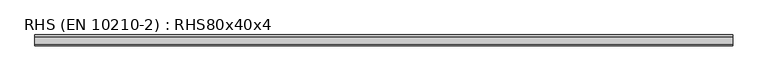
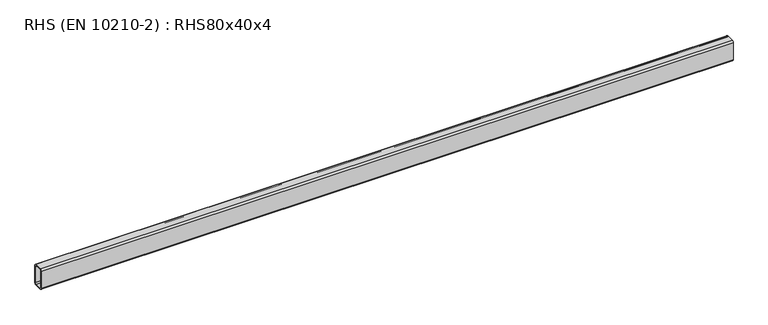
"""IFC4 building model written with IfcOpenShell, lengths in millimetres: beam geometry, RHS (EN 10210-2) : RHS80x40x4."""

from ifc_helpers import new_model, si_unit, point, frame, frame_2d, origin, place, context, project, spatial, polyline, circle_curve, trimmed, segment, composite_curve, outline, extrude, source, transform, mapped, element, save


def rhs_en_10210_2_rhs80x40x4_d693d78c(model_context):
    return source(origin(), model_context, "Body", "SweptSolid", [
        extrude(outline(composite_curve([segment(polyline([(20.0, 34.0), (20.0, -34.0)]), True, "CONTINUOUS"), segment(trimmed(circle_curve(frame_2d((14.0, -34.0)), 6.0), [point((20.0, -34.0))], [point((14.0, -40.0))], False, "CARTESIAN"), True, "CONTINUOUS"), segment(polyline([(14.0, -40.0), (-14.0, -40.0)]), True, "CONTINUOUS"), segment(trimmed(circle_curve(frame_2d((-14.0, -34.0)), 6.0), [point((-14.0, -40.0))], [point((-20.0, -34.0))], False, "CARTESIAN"), True, "CONTINUOUS"), segment(polyline([(-20.0, -34.0), (-20.0, 34.0)]), True, "CONTINUOUS"), segment(trimmed(circle_curve(frame_2d((-14.0, 34.0)), 6.0), [point((-20.0, 34.0))], [point((-14.0, 40.0))], False, "CARTESIAN"), True, "CONTINUOUS"), segment(polyline([(-14.0, 40.0), (14.0, 40.0)]), True, "CONTINUOUS"), segment(trimmed(circle_curve(frame_2d((14.0, 34.0)), 6.0), [point((14.0, 40.0))], [point((20.0, 34.0))], False, "CARTESIAN"), True, "CONTINUOUS")], self_intersect=False), holes=[composite_curve([segment(trimmed(circle_curve(frame_2d((-12.0, 32.0)), 4.0), [point((-12.0, 36.0))], [point((-16.0, 32.0))], True, "CARTESIAN"), True, "CONTINUOUS"), segment(polyline([(-16.0, 32.0), (-16.0, -32.0)]), True, "CONTINUOUS"), segment(trimmed(circle_curve(frame_2d((-12.0, -32.0)), 4.0), [point((-16.0, -32.0))], [point((-12.0, -36.0))], True, "CARTESIAN"), True, "CONTINUOUS"), segment(polyline([(-12.0, -36.0), (12.0, -36.0)]), True, "CONTINUOUS"), segment(trimmed(circle_curve(frame_2d((12.0, -32.0)), 4.0), [point((12.0, -36.0))], [point((16.0, -32.0))], True, "CARTESIAN"), True, "CONTINUOUS"), segment(polyline([(16.0, -32.0), (16.0, 32.0)]), True, "CONTINUOUS"), segment(trimmed(circle_curve(frame_2d((12.0, 32.0)), 4.0), [point((16.0, 32.0))], [point((12.0, 36.0))], True, "CARTESIAN"), True, "CONTINUOUS"), segment(polyline([(12.0, 36.0), (-12.0, 36.0)]), True, "CONTINUOUS")], self_intersect=False)]), frame((-1408.4, 0.0, 0.0), z_axis=(1.0, 0.0, 0.0), x_axis=(0.0, 1.0, 0.0)), (0.0, 0.0, 1.0), 2582.8),
    ])


if __name__ == "__main__":
    model = new_model("IFC4")
    model_context = context("Model", 3, world=origin())
    ifc_project = project(units=[si_unit("LENGTHUNIT", "METRE", prefix="MILLI")], contexts=[model_context])
    site = spatial("IfcSite", under=ifc_project)
    building = spatial("IfcBuilding", under=site)
    placement = place(None, origin())
    rhs_en_10210_2_rhs80x40x4_shape = rhs_en_10210_2_rhs80x40x4_d693d78c(model_context)
    element("IfcBeam", 1, ObjectType="RHS (EN 10210-2) : RHS80x40x4", at=placement, inside=building, context=model_context, shape_type="MappedRepresentation", body=[
        mapped(rhs_en_10210_2_rhs80x40x4_shape, transform((0.0, 0.0, 0.0), x_axis=(1.0, 0.0, 0.0), y_axis=(0.0, 1.0, 0.0), z_axis=(0.0, 0.0, 1.0))),
    ])
    save(model, "model.ifc")
